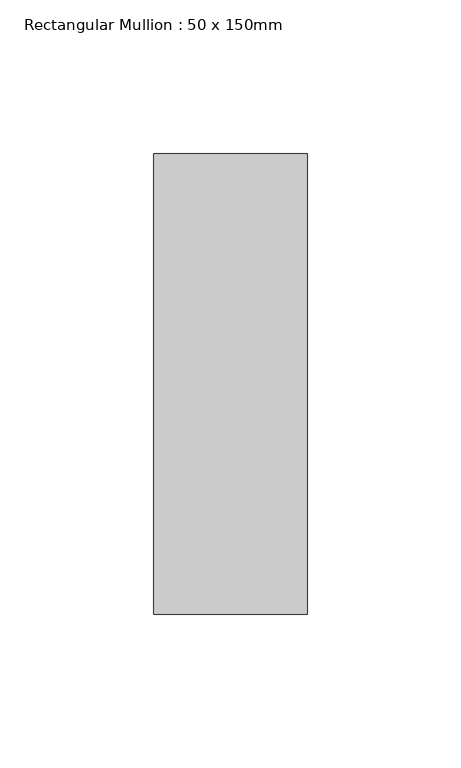
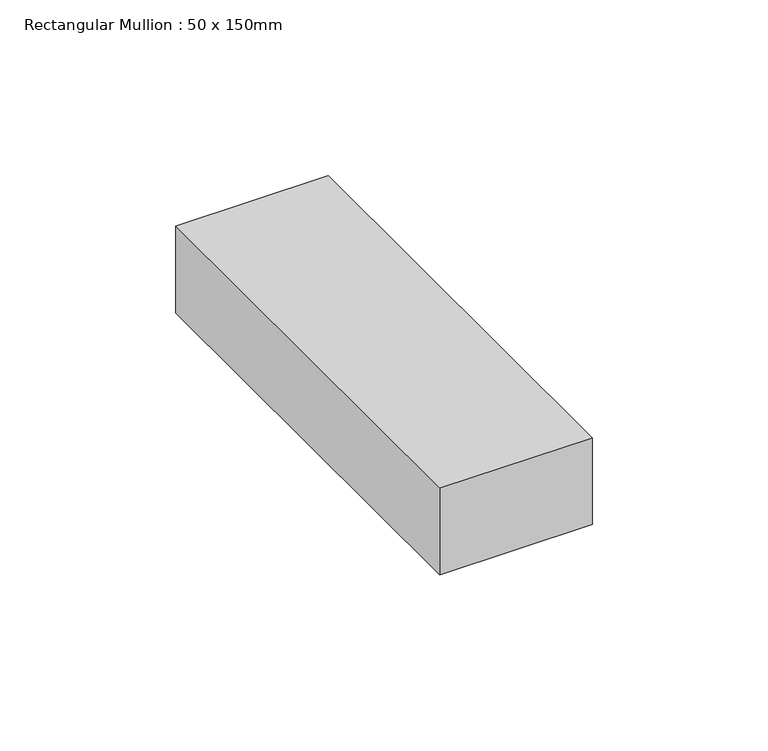
"""IFC4 building model written with IfcOpenShell, lengths in millimetres: member geometry, Rectangular Mullion : 50 x 150mm."""

from ifc_helpers import new_model, si_unit, frame, origin, place, context, project, spatial, polyline, outline, extrude, source, transform, mapped, element, save


def rectangular_mullion_50_x_150mm_3645f025(model_context):
    return source(origin(), model_context, "Body", "SweptSolid", [
        extrude(outline(polyline([(25.0, 75.0), (25.0, -75.0), (-25.0, -75.0), (-25.0, 75.0), (25.0, 75.0)])), frame((0.0, 0.0, -30.1499493), z_axis=(0.0, 0.0, 1.0), x_axis=(1.0, 0.0, 0.0)), (0.0, 0.0, 1.0), 30.1499493),
    ])


if __name__ == "__main__":
    model = new_model("IFC4")
    model_context = context("Model", 3, world=origin())
    ifc_project = project(units=[si_unit("LENGTHUNIT", "METRE", prefix="MILLI")], contexts=[model_context])
    site = spatial("IfcSite", under=ifc_project)
    building = spatial("IfcBuilding", under=site)
    placement = place(None, origin())
    rectangular_mullion_50_x_150mm_shape = rectangular_mullion_50_x_150mm_3645f025(model_context)
    element("IfcMember", 1, ObjectType="Rectangular Mullion : 50 x 150mm", at=placement, inside=building, context=model_context, shape_type="MappedRepresentation", body=[
        mapped(rectangular_mullion_50_x_150mm_shape, transform((0.0, 0.0, 0.0), x_axis=(1.0, 0.0, 0.0), y_axis=(0.0, 1.0, 0.0), z_axis=(0.0, 0.0, 1.0))),
    ])
    save(model, "model.ifc")
